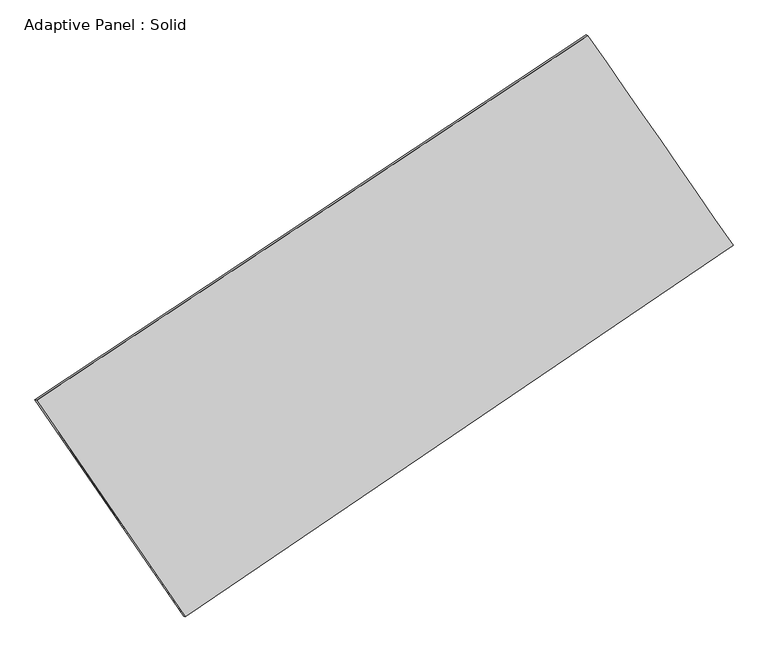
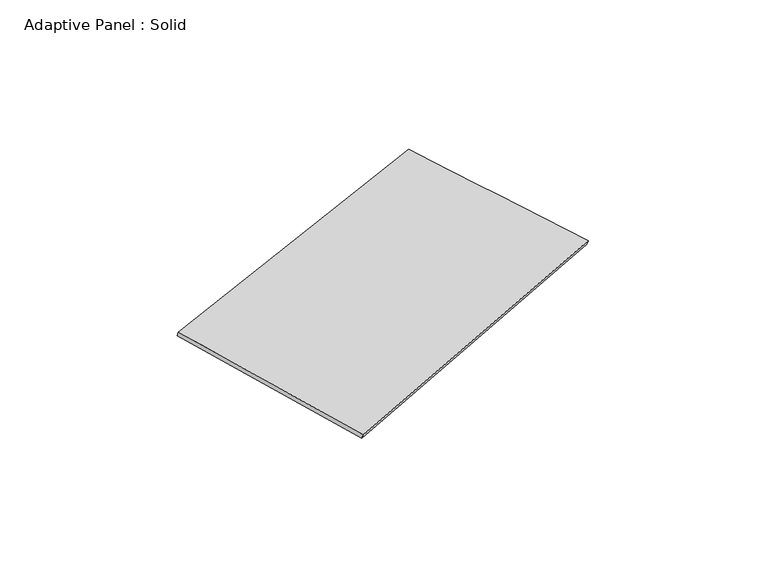
"""IFC4 building model written with IfcOpenShell, lengths in millimetres: plate geometry, Adaptive Panel : Solid."""

from ifc_helpers import new_model, si_unit, frame, origin, place, context, project, spatial, source, transform, mapped, element, save
from ifc_brep_helpers import plane_surface, spline_surface, advanced_brep


def adaptive_panel_solid_2813d04c(model_context):
    return source(origin(), model_context, "Body", "AdvancedBrep", [
        advanced_brep(
        [(1127.7027186, 2441.0232843, 633.9602891), (-3721.438083, -767.23781, 1759.7899801), (-3706.7717272, -773.6179034, 1807.1628881), (1142.3690745, 2434.6431909, 681.3331971), (-2413.7655675, -2671.6927287, 1042.9698365), (-2399.0992117, -2678.0728221, 1090.3427446), (2404.2103538, 597.6586814, 48.4024145), (2418.8767096, 591.278588, 95.7753225)],
        [
            (0, 1),
            (1, 2),
            (2, 3),
            (3, 0),
            (1, 4),
            (4, 5),
            (5, 2),
            (4, 6),
            (6, 7),
            (7, 5),
            (6, 0),
            (3, 7),
        ],
        [
            plane_surface(frame((-1296.8676822, 836.8927372, 1196.8751346), z_axis=(-0.4890185301003128, 0.831556857655099, 0.2633895778221061), x_axis=(-0.818782292911947, -0.5417181068752716, 0.19009747367423555))),
            plane_surface(frame((-3067.6018253, -1719.4652693, 1401.3799083), z_axis=(-0.7839736499477834, -0.5992831889032643, 0.16200301134696588), x_axis=(0.5406196781791759, -0.7873422382257618, -0.29634871936806534))),
            plane_surface(frame((-4.7776069, -1037.0170236, 545.6861255), z_axis=(0.5029406423002367, -0.822227854092748, -0.2664433641070085), x_axis=(0.8156609872517805, 0.55348603695924, -0.16837565372287538))),
            plane_surface(frame((1765.9565362, 1519.3409829, 341.1813518), z_axis=(0.7861135887491886, 0.5961787983759816, -0.16308361643906), x_axis=(-0.5508361211927151, 0.7954451504011075, 0.2526788085549006))),
            spline_surface(1, 1, [[(-3706.7717272, -773.6179034, 1807.1628881), (1142.3690745, 2434.6431909, 681.3331971)], [(-2399.0992117, -2678.0728221, 1090.3427446), (2418.8767096, 591.278588, 95.7753225)]], [2, 2], [2, 2], [0.0, 1.0], [0.0, 1.0]),
            spline_surface(1, 1, [[(2404.2103538, 597.6586814, 48.4024145), (1127.7027186, 2441.0232843, 633.9602891)], [(-2413.7655675, -2671.6927287, 1042.9698365), (-3721.438083, -767.23781, 1759.7899801)]], [2, 2], [2, 2], [0.0, 1.0], [0.0, 1.0]),
        ],
        [
            (0, [[1, 2, 3, 4]]),
            (1, [[5, 6, 7, -2]]),
            (2, [[8, 9, 10, -6]]),
            (3, [[11, -4, 12, -9]]),
            (4, [[-3, -7, -10, -12]]),
            (5, [[-11, -8, -5, -1]]),
        ],
    ),
    ])


if __name__ == "__main__":
    model = new_model("IFC4")
    model_context = context("Model", 3, world=origin())
    ifc_project = project(units=[si_unit("LENGTHUNIT", "METRE", prefix="MILLI")], contexts=[model_context])
    site = spatial("IfcSite", under=ifc_project)
    building = spatial("IfcBuilding", under=site)
    placement = place(None, origin())
    adaptive_panel_solid_shape = adaptive_panel_solid_2813d04c(model_context)
    element("IfcPlate", 1, ObjectType="Adaptive Panel : Solid", at=placement, inside=building, context=model_context, shape_type="MappedRepresentation", body=[
        mapped(adaptive_panel_solid_shape, transform((0.0, 0.0, 0.0), x_axis=(1.0, 0.0, 0.0), y_axis=(0.0, 1.0, 0.0), z_axis=(0.0, 0.0, 1.0))),
    ])
    save(model, "model.ifc")
